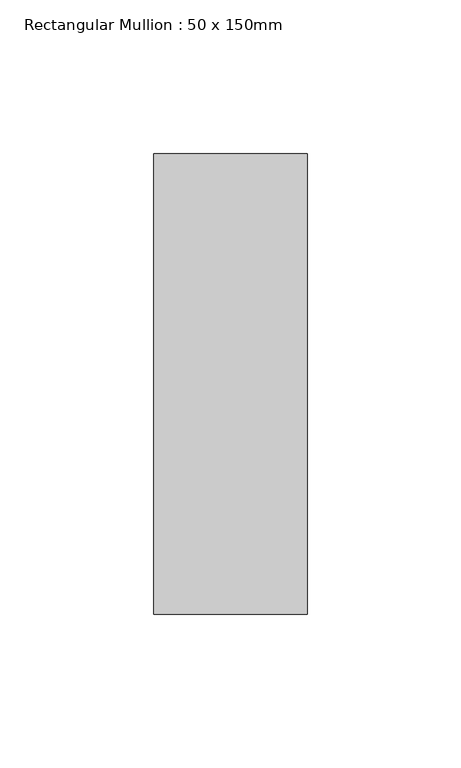
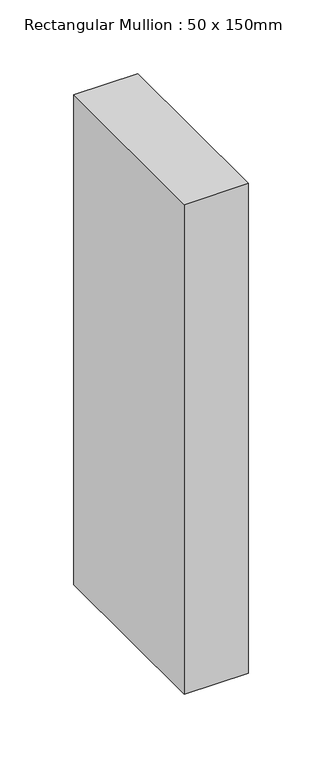
"""IFC4 building model written with IfcOpenShell, lengths in millimetres: member geometry, Rectangular Mullion : 50 x 150mm."""

import ifcopenshell
import ifcopenshell.guid

model = None  # the IFC model being written
_history = None  # IfcOwnerHistory: only IFC2X3 demands one
_inside = {}  # id of a spatial element -> (the spatial element, [elements in it])
_under = {}  # id of a project, library or spatial element -> (it, [spatial elements below it])
_declared = {}  # id of a project -> (the project, [libraries it declares])
_typed = {}  # id of a type object -> (the type object, [elements of that type])
_made_of = {}  # id of a material, layer set ... -> (it, [elements and type objects made of it])


def new_model(schema):
    """Start an empty IFC model of exactly this schema.

    Asked for "IFC4X3", IfcOpenShell would pick the latest addendum, in which some entities
    have other attributes; the version numbers below select the first issue.
    IFC2X3 requires an IfcOwnerHistory on every rooted entity: one is made here for all.
    """
    global model, _history
    if schema == "IFC4X3":
        model = ifcopenshell.file(schema_version=(4, 3, 0, 0))
    else:
        model = ifcopenshell.file(schema=schema)
    _inside.clear()
    _under.clear()
    _declared.clear()
    _typed.clear()
    _made_of.clear()
    _history = None
    if model.schema == "IFC2X3":
        org = make("IfcOrganization", Name="unknown")
        user = make(
            "IfcPersonAndOrganization",
            ThePerson=make("IfcPerson", FamilyName="unknown"),
            TheOrganization=org,
        )
        app = make(
            "IfcApplication",
            ApplicationDeveloper=org,
            Version="unknown",
            ApplicationFullName="unknown",
            ApplicationIdentifier="unknown",
        )
        _history = make(
            "IfcOwnerHistory",
            OwningUser=user,
            OwningApplication=app,
            ChangeAction="ADDED",
            CreationDate=0,
        )
    return model


def make(cls, **values):
    """One entity of the class cls with the attributes given. An attribute that is None is left unset."""
    return model.create_entity(
        cls, **{name: value for name, value in values.items() if value is not None}
    )


def rooted(cls, **values):
    """An entity with a GlobalId (a new one), such as an element, a storey or a relation."""
    return make(cls, GlobalId=ifcopenshell.guid.new(), OwnerHistory=_history, **values)


def si_unit(unit_type, name, prefix=None):
    """IfcSIUnit, for example si_unit("LENGTHUNIT", "METRE", prefix="MILLI")."""
    return make("IfcSIUnit", UnitType=unit_type, Prefix=prefix, Name=name)


def assignment(units):
    """IfcUnitAssignment: the units of a project."""
    return None if units is None else make("IfcUnitAssignment", Units=units)


def point(xyz):
    """IfcCartesianPoint."""
    return None if xyz is None else make("IfcCartesianPoint", Coordinates=xyz)


def direction(xyz):
    """IfcDirection."""
    return None if xyz is None else make("IfcDirection", DirectionRatios=xyz)


def frame(location, z_axis=None, x_axis=None):
    """IfcAxis2Placement3D, a coordinate frame: its origin and axes. An axis left out is left unset."""
    return make(
        "IfcAxis2Placement3D",
        Location=point(location),
        Axis=direction(z_axis),
        RefDirection=direction(x_axis),
    )


def origin():
    """The frame at (0, 0, 0) with its axes left unset."""
    return frame((0.0, 0.0, 0.0))


def place(relative_to, where):
    """IfcLocalPlacement: puts the frame where relative to a parent placement (None: the world)."""
    return make(
        "IfcLocalPlacement", PlacementRelTo=relative_to, RelativePlacement=where
    )


def context(
    kind, dimensions, precision=None, world=None, true_north=None, identifier=None
):
    """IfcGeometricRepresentationContext, for example the 3D "Model" context."""
    return make(
        "IfcGeometricRepresentationContext",
        ContextIdentifier=identifier,
        ContextType=kind,
        CoordinateSpaceDimension=dimensions,
        Precision=precision,
        WorldCoordinateSystem=world,
        TrueNorth=true_north,
    )


def project(units=None, contexts=None):
    """IfcProject with its units and contexts."""
    return rooted(
        "IfcProject",
        Name="project",
        RepresentationContexts=contexts,
        UnitsInContext=assignment(units),
    )


def spatial(cls, under=None, at=None, **own):
    """A site, building, storey or space (cls), placed at a placement, below another one or the project."""
    s = rooted(cls, ObjectPlacement=at, **own)
    if under is not None:
        _under.setdefault(under.id(), (under, []))[1].append(s)
    return s


def polyline(points):
    """IfcPolyline through the points."""
    return make("IfcPolyline", Points=[point(p) for p in points])


def outline(outer, holes=None, kind="AREA"):
    """IfcArbitraryClosedProfileDef: a profile drawn as a closed curve; with holes, ...WithVoids."""
    if holes is None:
        return make("IfcArbitraryClosedProfileDef", ProfileType=kind, OuterCurve=outer)
    return make(
        "IfcArbitraryProfileDefWithVoids",
        ProfileType=kind,
        OuterCurve=outer,
        InnerCurves=holes,
    )


def extrude(swept, where, along, depth):
    """IfcExtrudedAreaSolid: the profile swept, set in the frame where, extruded along a direction by depth."""
    return make(
        "IfcExtrudedAreaSolid",
        SweptArea=swept,
        Position=where,
        ExtrudedDirection=direction(along),
        Depth=depth,
    )


def shape(context_of_items, identifier, shape_type, items):
    """IfcShapeRepresentation: the items that make up one representation, for example the "Body"."""
    return make(
        "IfcShapeRepresentation",
        ContextOfItems=context_of_items,
        RepresentationIdentifier=identifier,
        RepresentationType=shape_type,
        Items=items,
    )


def source(mapping_origin, context_of_items, identifier, shape_type, items):
    """IfcRepresentationMap: a shape defined once, which mapped items show again and again."""
    return make(
        "IfcRepresentationMap",
        MappingOrigin=mapping_origin,
        MappedRepresentation=shape(context_of_items, identifier, shape_type, items),
    )


def transform(
    local_origin,
    x_axis=None,
    y_axis=None,
    z_axis=None,
    scale=None,
    scale2=None,
    scale3=None,
    uniform=True,
):
    """IfcCartesianTransformationOperator3D, or its non-uniform kind. x_axis, y_axis, z_axis: its Axis1, 2, 3."""
    if uniform:
        return make(
            "IfcCartesianTransformationOperator3D",
            Axis1=direction(x_axis),
            Axis2=direction(y_axis),
            LocalOrigin=point(local_origin),
            Scale=scale,
            Axis3=direction(z_axis),
        )
    return make(
        "IfcCartesianTransformationOperator3DnonUniform",
        Axis1=direction(x_axis),
        Axis2=direction(y_axis),
        LocalOrigin=point(local_origin),
        Scale=scale,
        Axis3=direction(z_axis),
        Scale2=scale2,
        Scale3=scale3,
    )


def mapped(mapping_source, mapping_target):
    """IfcMappedItem: shows the shape of a source again, moved by a transform."""
    return make(
        "IfcMappedItem", MappingSource=mapping_source, MappingTarget=mapping_target
    )


def made_of(thing, what):
    """Note that an element or type object is made of a material, layer set ...; save() writes the relation."""
    if what is not None:
        _made_of.setdefault(what.id(), (what, []))[1].append(thing)
    return thing


def element(
    cls,
    number,
    at=None,
    inside=None,
    cuts=None,
    type_object=None,
    material=None,
    context=None,
    identifier="Body",
    shape_type=None,
    held_by="IfcProductDefinitionShape",
    body=None,
    shapes=None,
    **own,
):
    """One element of the class cls, such as IfcWall. Its Tag is "e" and its number.

    at: its placement. inside: the storey or other place that contains it. cuts: it is an
    opening in that element (IfcRelVoidsElement). A single representation is given by context,
    identifier, shape_type and body (its items); several are given by shapes. held_by: the class
    of the entity that holds the representations. save() writes the other relations.
    """
    e = rooted(cls, Tag="e%d" % number, ObjectPlacement=at, **own)
    if body is not None:
        shapes = [shape(context, identifier, shape_type, body)]
    if shapes is not None:
        e.Representation = make(held_by, Representations=shapes)
    if inside is not None:
        _inside.setdefault(inside.id(), (inside, []))[1].append(e)
    if cuts is not None:
        rooted(
            "IfcRelVoidsElement", RelatingBuildingElement=cuts, RelatedOpeningElement=e
        )
    if type_object is not None:
        _typed.setdefault(type_object.id(), (type_object, []))[1].append(e)
    return made_of(e, material)


def aggregate(whole, parts):
    """IfcRelAggregates: a whole, such as a stair, and the parts it consists of."""
    return rooted("IfcRelAggregates", RelatingObject=whole, RelatedObjects=parts)


def save(model, path):
    """Write the relations noted so far, then the file.

    IfcRelAggregates (storeys below a building ...), IfcRelContainedInSpatialStructure (elements
    in a storey), IfcRelDefinesByType, IfcRelAssociatesMaterial and IfcRelDeclares: one each for
    every whole, place, type object, material and project.
    """
    for whole, parts in _under.values():
        aggregate(whole, parts)
    for where, things in _inside.values():
        rooted(
            "IfcRelContainedInSpatialStructure",
            RelatedElements=things,
            RelatingStructure=where,
        )
    for kind, things in _typed.values():
        rooted("IfcRelDefinesByType", RelatedObjects=things, RelatingType=kind)
    for what, things in _made_of.values():
        rooted("IfcRelAssociatesMaterial", RelatedObjects=things, RelatingMaterial=what)
    for by, libraries in _declared.values():
        rooted("IfcRelDeclares", RelatingContext=by, RelatedDefinitions=libraries)
    model.write(path)


def rectangular_mullion_50_x_150mm_1fcf8a90(model_context):
    return source(origin(), model_context, "Body", "SweptSolid", [
        extrude(outline(polyline([(25.0, 75.0), (25.0, -75.0), (-25.0, -75.0), (-25.0, 75.0), (25.0, 75.0)])), frame((0.0, 0.0, -405.6255213), z_axis=(0.0, 0.0, 1.0), x_axis=(1.0, 0.0, 0.0)), (0.0, 0.0, 1.0), 405.6255213),
    ])


if __name__ == "__main__":
    model = new_model("IFC4")
    model_context = context("Model", 3, world=origin())
    ifc_project = project(units=[si_unit("LENGTHUNIT", "METRE", prefix="MILLI")], contexts=[model_context])
    site = spatial("IfcSite", under=ifc_project)
    building = spatial("IfcBuilding", under=site)
    placement = place(None, origin())
    rectangular_mullion_50_x_150mm_shape = rectangular_mullion_50_x_150mm_1fcf8a90(model_context)
    element("IfcMember", 1, ObjectType="Rectangular Mullion : 50 x 150mm", at=placement, inside=building, context=model_context, shape_type="MappedRepresentation", body=[
        mapped(rectangular_mullion_50_x_150mm_shape, transform((0.0, 0.0, 0.0), x_axis=(1.0, 0.0, 0.0), y_axis=(0.0, 1.0, 0.0), z_axis=(0.0, 0.0, 1.0))),
    ])
    save(model, "model.ifc")
